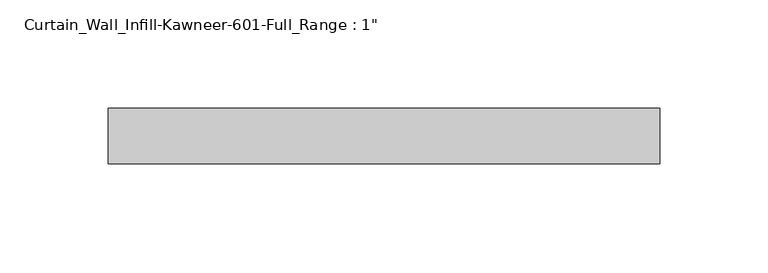
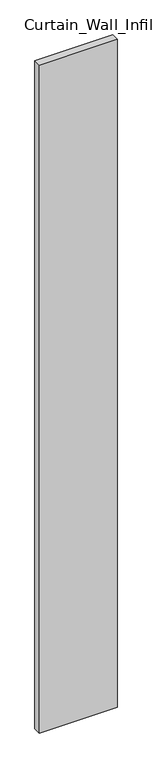
"""IFC4 building model written with IfcOpenShell, lengths in millimetres: plate geometry."""

from ifc_helpers import new_model, si_unit, origin, origin_with_axes, place, context, project, spatial, polyline, outline, extrude, source, transform, mapped, element, save


def plate_48a76931(model_context):
    return source(origin(), model_context, "Body", "SweptSolid", [
        extrude(outline(polyline([(-127.0, 0.0), (127.0, 0.0), (127.0, -25.4), (-127.0, -25.4), (-127.0, 0.0)])), origin_with_axes(), (0.0, 0.0, 1.0), 2311.4),
    ])


if __name__ == "__main__":
    model = new_model("IFC4")
    model_context = context("Model", 3, world=origin())
    ifc_project = project(units=[si_unit("LENGTHUNIT", "METRE", prefix="MILLI")], contexts=[model_context])
    site = spatial("IfcSite", under=ifc_project)
    building = spatial("IfcBuilding", under=site)
    placement = place(None, origin())
    plate_shape = plate_48a76931(model_context)
    element("IfcPlate", 1, ObjectType="Curtain_Wall_Infill-Kawneer-601-Full_Range : 1\"", at=placement, inside=building, context=model_context, shape_type="MappedRepresentation", body=[
        mapped(plate_shape, transform((0.0, 0.0, 0.0), x_axis=(1.0, 0.0, 0.0), y_axis=(0.0, 1.0, 0.0), z_axis=(0.0, 0.0, 1.0))),
    ])
    save(model, "model.ifc")
